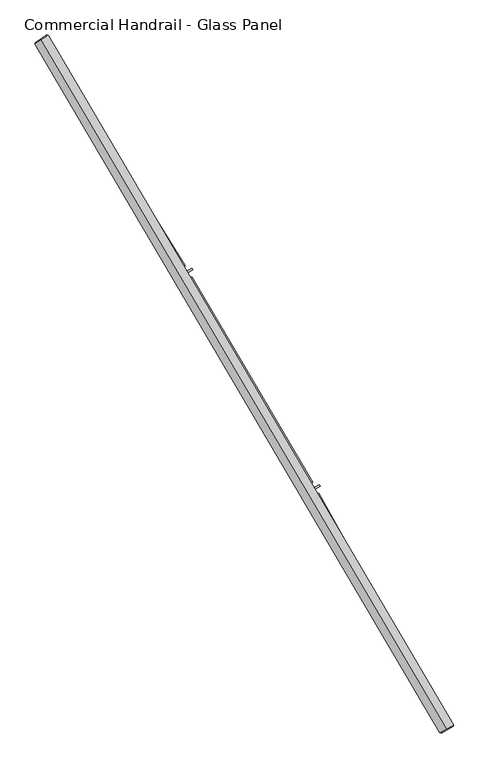
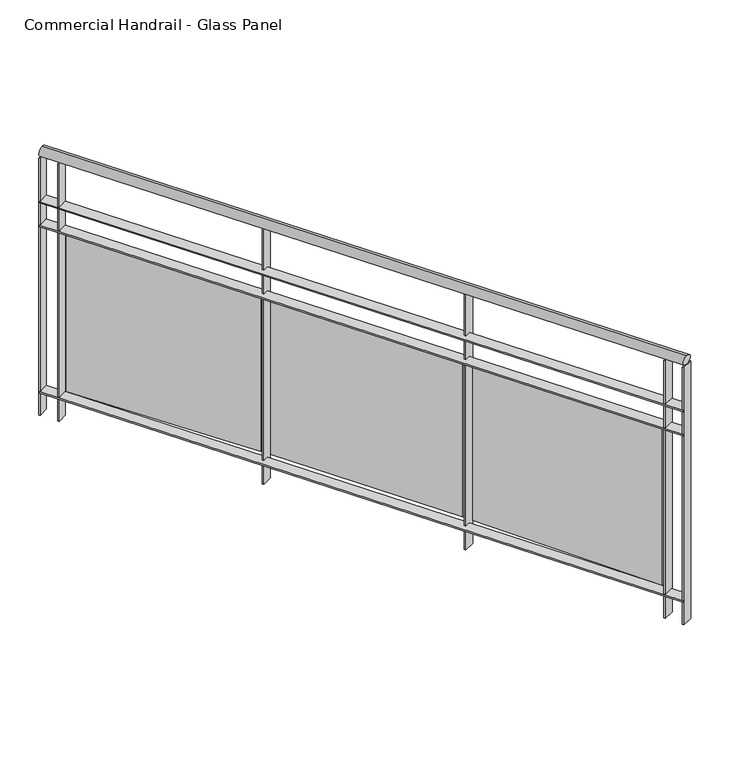
"""IFC4 building model written with IfcOpenShell, lengths in millimetres: railing geometry, Commercial Handrail - Glass Panel."""

from ifc_helpers import new_model, si_unit, point, frame, origin, place, context, project, spatial, polyline, circle_curve, ellipse_curve, trimmed, outline, extrude, source, transform, mapped, element, save
from ifc_brep_helpers import plane_surface, cylinder_surface, revolved_surface, advanced_brep


def commercial_handrail_glass_panel_46675f68(model_context):
    return source(origin(), model_context, "Body", "SolidModel", [
        advanced_brep(
        [(177076.0575657, -31977.9006077, 16282.5), (175783.9289157, -29780.3413827, 16282.5), (175783.9289157, -29780.3413827, 16317.5), (177076.0575657, -31977.9006077, 16317.5)],
        [
            (0, 1, circle_curve(frame((146629.3968491, -48401.3811221, 16282.5), z_axis=(0.0, 0.0, 1.0), x_axis=(0.8427679503753938, 0.5382770493157384, 0.0)), 34593.7835601)),
            (1, 2, ellipse_curve(frame((175783.9289157, -29780.3413827, 16300.0), z_axis=(0.5382770493157334, -0.842767950375397, 0.0), x_axis=(-0.842767950375397, -0.5382770493157334, 0.0)), 25.0, 17.5)),
            (2, 3, circle_curve(frame((146629.3968491, -48401.3811221, 16317.5), z_axis=(0.0, 0.0, -1.0), x_axis=(0.8427679503753938, 0.5382770493157384, 0.0)), 34593.7835601)),
            (3, 0, ellipse_curve(frame((177076.0575657, -31977.9006077, 16300.0), z_axis=(-0.47475236369846063, 0.8801194198304708, 0.0), x_axis=(-0.8801194198304708, -0.47475236369846063, 0.0)), 25.0, 17.5)),
            (2, 1, ellipse_curve(frame((175783.9289157, -29780.3413827, 16300.0), z_axis=(0.5382770493157334, -0.842767950375397, 0.0), x_axis=(-0.842767950375397, -0.5382770493157334, 0.0)), 25.0, 17.5)),
            (0, 3, ellipse_curve(frame((177076.0575657, -31977.9006077, 16300.0), z_axis=(-0.47475236369846063, 0.8801194198304708, 0.0), x_axis=(-0.8801194198304708, -0.47475236369846063, 0.0)), 25.0, 17.5)),
        ],
        [
            revolved_surface(trimmed(ellipse_curve(frame((175783.9289157, -29780.3413827, 16300.0), z_axis=(-0.5382770493157384, 0.8427679503753938, 0.0), x_axis=(0.0, 0.0, -1.0)), 17.5, 25.0), [point((175783.9289157, -29780.3413827, 16317.5))], [point((175783.9289157, -29780.3413827, 16282.5))], True, "CARTESIAN"), (146629.3968491, -48401.3811221, 16300.0), (0.0, 0.0, -1.0)),
            revolved_surface(trimmed(ellipse_curve(frame((175783.9289157, -29780.3413827, 16300.0), z_axis=(-0.5382770493157384, 0.8427679503753938, 0.0), x_axis=(0.0, 0.0, -1.0)), 17.5, 25.0), [point((175783.9289157, -29780.3413827, 16282.5))], [point((175783.9289157, -29780.3413827, 16317.5))], True, "CARTESIAN"), (146629.3968491, -48401.3811221, 16300.0), (0.0, 0.0, -1.0)),
            plane_surface(frame((175783.9289157, -29780.3413827, 16300.0), z_axis=(-0.5382770493157384, 0.8427679503753938, 0.0), x_axis=(0.8427679503753938, 0.5382770493157384, 0.0))),
            plane_surface(frame((177076.0575657, -31977.9006077, 16300.0), z_axis=(0.4747523636984607, -0.8801194198304708, 0.0), x_axis=(0.8801194198304708, 0.4747523636984607, 0.0))),
        ],
        [
            (0, [[1, 2, 3, 4]]),
            (1, [[-3, 5, -1, 6]]),
            (2, [[-2, -5]]),
            (3, [[-6, -4]]),
        ],
    ),
        advanced_brep(
        [(177095.8602527, -31967.2186795, 16100.0), (175802.8911946, -29768.2301491, 16100.0), (175764.9666369, -29792.4526163, 16100.0), (177056.2548788, -31988.5825359, 16100.0), (177095.8602527, -31967.2186795, 16094.0), (175802.8911946, -29768.2301491, 16094.0), (177056.2548788, -31988.5825359, 16094.0), (175764.9666369, -29792.4526163, 16094.0)],
        [
            (0, 1, circle_curve(frame((146629.3968491, -48401.3811221, 16100.0), z_axis=(0.0, 0.0, 1.0), x_axis=(0.8427679503753938, 0.5382770493157384, 0.0)), 34616.2835601)),
            (1, 2),
            (2, 3, circle_curve(frame((146629.3968491, -48401.3811221, 16100.0), z_axis=(0.0, 0.0, -1.0), x_axis=(0.8427679503753938, 0.5382770493157384, 0.0)), 34571.2835601)),
            (3, 0),
            (4, 5, circle_curve(frame((146629.3968491, -48401.3811221, 16094.0), z_axis=(0.0, 0.0, 1.0), x_axis=(0.8427679503753938, 0.5382770493157384, 0.0)), 34616.2835601)),
            (5, 1),
            (0, 4),
            (6, 7, circle_curve(frame((146629.3968491, -48401.3811221, 16094.0), z_axis=(0.0, 0.0, 1.0), x_axis=(0.8427679503753938, 0.5382770493157384, 0.0)), 34571.2835601)),
            (7, 5),
            (4, 6),
            (2, 7),
            (6, 3),
        ],
        [
            plane_surface(frame((146629.3968491, -48401.3811221, 16100.0), z_axis=(0.0, 0.0, 1.0), x_axis=(0.8427679503753938, 0.5382770493157384, 0.0))),
            cylinder_surface(frame((146629.3968491, -48401.3811221, 16100.0), z_axis=(0.0, 0.0, -1.0), x_axis=(0.8427679503753938, 0.5382770493157384, 0.0)), 34616.2835601),
            plane_surface(frame((146629.3968491, -48401.3811221, 16094.0), z_axis=(0.0, 0.0, -1.0), x_axis=(0.8427679503753938, 0.5382770493157384, 0.0))),
            revolved_surface(polyline([(175764.96663689203, -29792.45261631168, 16094.0), (175764.96663689203, -29792.45261631168, 16100.0)]), (146629.3968491, -48401.3811221, 16100.0), (0.0, 0.0, -1.0)),
            plane_surface(frame((175783.9289157, -29780.3413827, 16100.0), z_axis=(-0.5382770493157384, 0.8427679503753938, 0.0), x_axis=(0.8427679503753938, 0.5382770493157384, 0.0))),
            plane_surface(frame((177076.0575657, -31977.9006077, 16100.0), z_axis=(0.4747523636984607, -0.8801194198304708, 0.0), x_axis=(0.8801194198304708, 0.4747523636984607, 0.0))),
        ],
        [
            (0, [[1, 2, 3, 4]]),
            (1, [[5, 6, -1, 7]]),
            (2, [[8, 9, -5, 10]]),
            (3, [[-3, 11, -8, 12]]),
            (4, [[-2, -6, -9, -11]]),
            (5, [[-12, -10, -7, -4]]),
        ],
    ),
        advanced_brep(
        [(177095.8602527, -31967.2186795, 16000.0), (175802.8911946, -29768.2301491, 16000.0), (175764.9666369, -29792.4526163, 16000.0), (177056.2548788, -31988.5825359, 16000.0), (177095.8602527, -31967.2186795, 15994.0), (175802.8911946, -29768.2301491, 15994.0), (177056.2548788, -31988.5825359, 15994.0), (175764.9666369, -29792.4526163, 15994.0)],
        [
            (0, 1, circle_curve(frame((146629.3968491, -48401.3811221, 16000.0), z_axis=(0.0, 0.0, 1.0), x_axis=(0.8427679503753938, 0.5382770493157384, 0.0)), 34616.2835601)),
            (1, 2),
            (2, 3, circle_curve(frame((146629.3968491, -48401.3811221, 16000.0), z_axis=(0.0, 0.0, -1.0), x_axis=(0.8427679503753938, 0.5382770493157384, 0.0)), 34571.2835601)),
            (3, 0),
            (4, 5, circle_curve(frame((146629.3968491, -48401.3811221, 15994.0), z_axis=(0.0, 0.0, 1.0), x_axis=(0.8427679503753938, 0.5382770493157384, 0.0)), 34616.2835601)),
            (5, 1),
            (0, 4),
            (6, 7, circle_curve(frame((146629.3968491, -48401.3811221, 15994.0), z_axis=(0.0, 0.0, 1.0), x_axis=(0.8427679503753938, 0.5382770493157384, 0.0)), 34571.2835601)),
            (7, 5),
            (4, 6),
            (2, 7),
            (6, 3),
        ],
        [
            plane_surface(frame((146629.3968491, -48401.3811221, 16000.0), z_axis=(0.0, 0.0, 1.0), x_axis=(0.8427679503753938, 0.5382770493157384, 0.0))),
            cylinder_surface(frame((146629.3968491, -48401.3811221, 16000.0), z_axis=(0.0, 0.0, -1.0), x_axis=(0.8427679503753938, 0.5382770493157384, 0.0)), 34616.2835601),
            plane_surface(frame((146629.3968491, -48401.3811221, 15994.0), z_axis=(0.0, 0.0, -1.0), x_axis=(0.8427679503753938, 0.5382770493157384, 0.0))),
            revolved_surface(polyline([(175764.96663689203, -29792.45261631168, 15994.0), (175764.96663689203, -29792.45261631168, 16000.0)]), (146629.3968491, -48401.3811221, 16000.0), (0.0, 0.0, -1.0)),
            plane_surface(frame((175783.9289157, -29780.3413827, 16000.0), z_axis=(-0.5382770493157384, 0.8427679503753938, 0.0), x_axis=(0.8427679503753938, 0.5382770493157384, 0.0))),
            plane_surface(frame((177076.0575657, -31977.9006077, 16000.0), z_axis=(0.4747523636984607, -0.8801194198304708, 0.0), x_axis=(0.8801194198304708, 0.4747523636984607, 0.0))),
        ],
        [
            (0, [[1, 2, 3, 4]]),
            (1, [[5, 6, -1, 7]]),
            (2, [[8, 9, -5, 10]]),
            (3, [[-3, 11, -8, 12]]),
            (4, [[-2, -6, -9, -11]]),
            (5, [[-12, -10, -7, -4]]),
        ],
    ),
        advanced_brep(
        [(177095.8602527, -31967.2186795, 15300.0), (175802.8911946, -29768.2301491, 15300.0), (175764.9666369, -29792.4526163, 15300.0), (177056.2548788, -31988.5825359, 15300.0), (177095.8602527, -31967.2186795, 15294.0), (175802.8911946, -29768.2301491, 15294.0), (177056.2548788, -31988.5825359, 15294.0), (175764.9666369, -29792.4526163, 15294.0)],
        [
            (0, 1, circle_curve(frame((146629.3968491, -48401.3811221, 15300.0), z_axis=(0.0, 0.0, 1.0), x_axis=(0.8427679503753938, 0.5382770493157384, 0.0)), 34616.2835601)),
            (1, 2),
            (2, 3, circle_curve(frame((146629.3968491, -48401.3811221, 15300.0), z_axis=(0.0, 0.0, -1.0), x_axis=(0.8427679503753938, 0.5382770493157384, 0.0)), 34571.2835601)),
            (3, 0),
            (4, 5, circle_curve(frame((146629.3968491, -48401.3811221, 15294.0), z_axis=(0.0, 0.0, 1.0), x_axis=(0.8427679503753938, 0.5382770493157384, 0.0)), 34616.2835601)),
            (5, 1),
            (0, 4),
            (6, 7, circle_curve(frame((146629.3968491, -48401.3811221, 15294.0), z_axis=(0.0, 0.0, 1.0), x_axis=(0.8427679503753938, 0.5382770493157384, 0.0)), 34571.2835601)),
            (7, 5),
            (4, 6),
            (2, 7),
            (6, 3),
        ],
        [
            plane_surface(frame((146629.3968491, -48401.3811221, 15300.0), z_axis=(0.0, 0.0, 1.0), x_axis=(0.8427679503753938, 0.5382770493157384, 0.0))),
            cylinder_surface(frame((146629.3968491, -48401.3811221, 15300.0), z_axis=(0.0, 0.0, -1.0), x_axis=(0.8427679503753938, 0.5382770493157384, 0.0)), 34616.2835601),
            plane_surface(frame((146629.3968491, -48401.3811221, 15294.0), z_axis=(0.0, 0.0, -1.0), x_axis=(0.8427679503753938, 0.5382770493157384, 0.0))),
            revolved_surface(polyline([(175764.96663689203, -29792.45261631168, 15294.0), (175764.96663689203, -29792.45261631168, 15300.0)]), (146629.3968491, -48401.3811221, 15300.0), (0.0, 0.0, -1.0)),
            plane_surface(frame((175783.9289157, -29780.3413827, 15300.0), z_axis=(-0.5382770493157384, 0.8427679503753938, 0.0), x_axis=(0.8427679503753938, 0.5382770493157384, 0.0))),
            plane_surface(frame((177076.0575657, -31977.9006077, 15300.0), z_axis=(0.4747523636984607, -0.8801194198304708, 0.0), x_axis=(0.8801194198304708, 0.4747523636984607, 0.0))),
        ],
        [
            (0, [[1, 2, 3, 4]]),
            (1, [[5, 6, -1, 7]]),
            (2, [[8, 9, -5, 10]]),
            (3, [[-3, 11, -8, 12]]),
            (4, [[-2, -6, -9, -11]]),
            (5, [[-12, -10, -7, -4]]),
        ],
    ),
        extrude(outline(polyline([(177019.2025619, -31920.0776321), (177058.7615677, -31898.6280386), (177061.6215135, -31903.9025727), (177022.0625077, -31925.3521662), (177019.2025619, -31920.0776321)])), frame((0.0, 0.0, 15200.0), z_axis=(0.0, 0.0, 1.0), x_axis=(1.0, 0.0, 0.0)), (0.0, 0.0, 1.0), 1082.1192282),
        extrude(outline(polyline([(176667.9811331, -31226.6066951), (177037.9417222, -31890.4810526), (177027.4594955, -31896.3225355), (176657.4989064, -31232.4481781), (176667.9811331, -31226.6066951)])), frame((0.0, 0.0, 15320.0), z_axis=(0.0, 0.0, 1.0), x_axis=(1.0, 0.0, 0.0)), (0.0, 0.0, 1.0), 660.0),
        extrude(outline(polyline([(176629.9717234, -31221.766365), (176669.0241625, -31199.4077648), (176672.0053092, -31204.6147567), (176632.9528701, -31226.9733569), (176629.9717234, -31221.766365)])), frame((0.0, 0.0, 15200.0), z_axis=(0.0, 0.0, 1.0), x_axis=(1.0, 0.0, 0.0)), (0.0, 0.0, 1.0), 1082.1192282),
        extrude(outline(polyline([(176262.8087433, -30536.6023126), (176648.0214972, -31191.7443844), (176637.6771487, -31197.8266911), (176252.4643948, -30542.6846193), (176262.8087433, -30536.6023126)])), frame((0.0, 0.0, 15320.0), z_axis=(0.0, 0.0, 1.0), x_axis=(1.0, 0.0, 0.0)), (0.0, 0.0, 1.0), 660.0),
        extrude(outline(polyline([(176224.6975714, -30532.6421866), (176263.2225599, -30509.3865364), (176266.3233132, -30514.5232015), (176227.7983248, -30537.7788517), (176224.6975714, -30532.6421866)])), frame((0.0, 0.0, 15200.0), z_axis=(0.0, 0.0, 1.0), x_axis=(1.0, 0.0, 0.0)), (0.0, 0.0, 1.0), 1082.1192282),
        extrude(outline(polyline([(175841.7893867, -29856.1514219), (176242.0483063, -30502.2108598), (176231.8473678, -30508.5307375), (175831.5884482, -29862.4712996), (175841.7893867, -29856.1514219)])), frame((0.0, 0.0, 15320.0), z_axis=(0.0, 0.0, 1.0), x_axis=(1.0, 0.0, 0.0)), (0.0, 0.0, 1.0), 660.0),
        extrude(outline(polyline([(175803.5968332, -29853.0736178), (175841.5737692, -29828.9333539), (175844.792471, -29833.9969454), (175806.8155351, -29858.1372092), (175803.5968332, -29853.0736178)])), frame((0.0, 0.0, 15200.0), z_axis=(0.0, 0.0, 1.0), x_axis=(1.0, 0.0, 0.0)), (0.0, 0.0, 1.0), 1082.1192282),
        extrude(outline(polyline([(177054.8306217, -31985.9421776), (177094.4359956, -31964.5783212), (177097.2845098, -31969.8590378), (177057.6791359, -31991.2228941), (177054.8306217, -31985.9421776)])), frame((0.0, 0.0, 15200.0), z_axis=(0.0, 0.0, 1.0), x_axis=(1.0, 0.0, 0.0)), (0.0, 0.0, 1.0), 1082.1192282),
        extrude(outline(polyline([(175763.3518057, -29789.9243125), (175801.2763635, -29765.7018453), (175804.5060258, -29770.758453), (175766.581468, -29794.9809202), (175763.3518057, -29789.9243125)])), frame((0.0, 0.0, 15200.0), z_axis=(0.0, 0.0, 1.0), x_axis=(1.0, 0.0, 0.0)), (0.0, 0.0, 1.0), 1082.1192282),
    ])


if __name__ == "__main__":
    model = new_model("IFC4")
    model_context = context("Model", 3, world=origin())
    ifc_project = project(units=[si_unit("LENGTHUNIT", "METRE", prefix="MILLI")], contexts=[model_context])
    site = spatial("IfcSite", under=ifc_project)
    building = spatial("IfcBuilding", under=site)
    placement = place(None, origin())
    commercial_handrail_glass_panel_shape = commercial_handrail_glass_panel_46675f68(model_context)
    element("IfcRailing", 1, ObjectType="Commercial Handrail - Glass Panel", at=placement, inside=building, context=model_context, shape_type="MappedRepresentation", body=[
        mapped(commercial_handrail_glass_panel_shape, transform((0.0, 0.0, 0.0), x_axis=(1.0, 0.0, 0.0), y_axis=(0.0, 1.0, 0.0), z_axis=(0.0, 0.0, 1.0))),
    ])
    save(model, "model.ifc")
